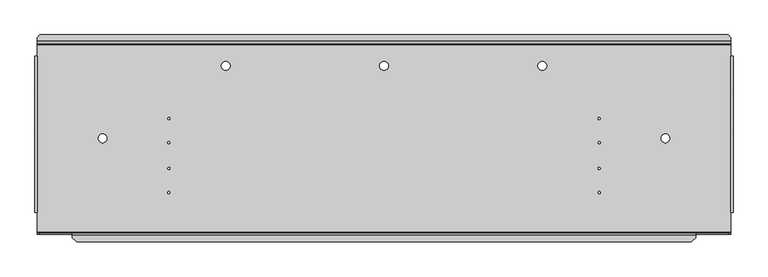
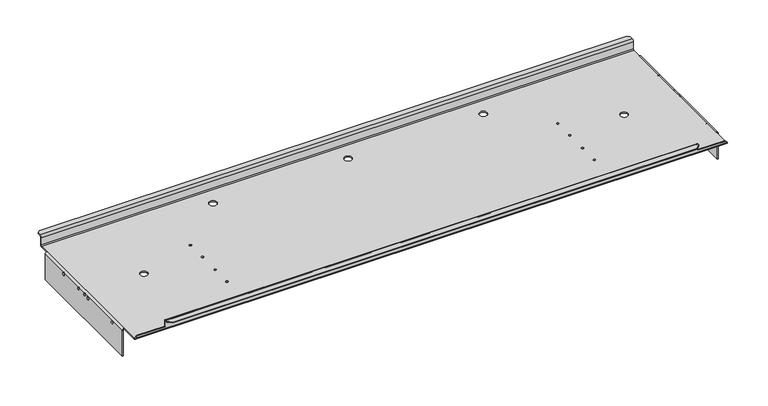
"""IFC4 building model written with IfcOpenShell, lengths in millimetres: proxy geometry."""

from ifc_helpers import new_model, si_unit, frame, origin, place, context, project, spatial, polyline, circle_curve, source, transform, mapped, element, save
from ifc_brep_helpers import plane_surface, cylinder_surface, revolved_surface, advanced_brep


def generic_models_facf41e4(model_context):
    return source(origin(), model_context, "Body", "AdvancedBrep", [
        advanced_brep(
        [(-999.8773452, -94.3278036, -7.2517), (-998.2644452, -94.3278036, -7.2517), (-998.2644452, -94.3278036, -2.9083), (-999.8773452, -94.3278036, -2.9083), (6.7983148, -94.3278036, -7.2517), (8.4112148, -94.3278036, -7.2517), (8.4112148, -94.3278036, -2.9083), (6.7983148, -94.3278036, -2.9083), (-999.8773452, -23.2078036, -7.2517), (-998.2644452, -23.2078036, -7.2517), (-998.2644452, -23.2078036, -2.9083), (-999.8773452, -23.2078036, -2.9083), (6.7983148, -23.2078036, -7.2517), (8.4112148, -23.2078036, -7.2517), (8.4112148, -23.2078036, -2.9083), (6.7983148, -23.2078036, -2.9083), (-999.8773452, -165.4478036, -7.2517), (-998.2644452, -165.4478036, -7.2517), (-998.2644452, -165.4478036, -2.9083), (-999.8773452, -165.4478036, -2.9083), (6.7983148, -165.4478036, -7.2517), (8.4112148, -165.4478036, -7.2517), (8.4112148, -165.4478036, -2.9083), (6.7983148, -165.4478036, -2.9083), (-804.8332852, -60.4346786, 0.0), (-804.8332852, -60.4346786, 1.6129), (-808.0844852, -60.4346786, 1.6129), (-808.0844852, -60.4346786, 0.0), (-804.8332852, -132.6659286, 0.0), (-804.8332852, -132.6659286, 1.6129), (-808.0844852, -132.6659286, 1.6129), (-808.0844852, -132.6659286, 0.0), (-183.3714852, -167.5909286, 0.0), (-183.3714852, -167.5909286, 1.6129), (-186.6226852, -167.5909286, 1.6129), (-186.6226852, -167.5909286, 0.0), (-183.3714852, -95.3596786, 0.0), (-183.3714852, -95.3596786, 1.6129), (-186.6226852, -95.3596786, 1.6129), (-186.6226852, -95.3596786, 0.0), (-183.3714852, -60.4346786, 0.0), (-183.3714852, -60.4346786, 1.6129), (-186.6226852, -60.4346786, 1.6129), (-186.6226852, -60.4346786, 0.0), (-183.3714852, -132.6659286, 0.0), (-183.3714852, -132.6659286, 1.6129), (-186.6226852, -132.6659286, 1.6129), (-186.6226852, -132.6659286, 0.0), (-804.8332852, -167.5909286, 0.0), (-804.8332852, -167.5909286, 1.6129), (-808.0844852, -167.5909286, 1.6129), (-808.0844852, -167.5909286, 0.0), (-804.8332852, -95.3596786, 0.0), (-804.8332852, -95.3596786, 1.6129), (-808.0844852, -95.3596786, 1.6129), (-808.0844852, -95.3596786, 0.0), (-489.3830652, 15.8192964, 0.0), (-489.3830652, 15.8192964, 1.6129), (-502.0830652, 15.8192964, 1.6129), (-502.0830652, 15.8192964, 0.0), (-717.9830652, 15.8192964, 0.0), (-717.9830652, 15.8192964, 1.6129), (-730.6830652, 15.8192964, 1.6129), (-730.6830652, 15.8192964, 0.0), (-895.7830652, -89.2478036, 0.0), (-895.7830652, -89.2478036, 1.6129), (-908.4830652, -89.2478036, 1.6129), (-908.4830652, -89.2478036, 0.0), (-82.9830652, -89.2478036, 0.0), (-82.9830652, -89.2478036, 1.6129), (-95.6830652, -89.2478036, 1.6129), (-95.6830652, -89.2478036, 0.0), (-260.7830652, 15.8192964, 0.0), (-260.7830652, 15.8192964, 1.6129), (-273.4830652, 15.8192964, 1.6129), (-273.4830652, 15.8192964, 0.0), (-999.8773452, -66.9516836, -6.32968), (-998.2644452, -66.9516836, -6.32968), (-998.2644452, -66.9516836, -3.07848), (-999.8773452, -66.9516836, -3.07848), (6.7983148, -66.9516836, -6.32968), (8.4112148, -66.9516836, -6.32968), (8.4112148, -66.9516836, -3.07848), (6.7983148, -66.9516836, -3.07848), (-999.8773452, -84.7316836, -6.32968), (-998.2644452, -84.7316836, -6.32968), (-998.2644452, -84.7316836, -3.07848), (-999.8773452, -84.7316836, -3.07848), (6.7983148, -84.7316836, -6.32968), (8.4112148, -84.7316836, -6.32968), (8.4112148, -84.7316836, -3.07848), (6.7983148, -84.7316836, -3.07848), (-993.4765452, -226.4078036, 6.4008), (-996.6515452, -226.4078036, 3.2258), (-996.6515452, -228.0207036, 3.2258), (-993.4765452, -228.0207036, 6.4008), (-945.8515452, -228.0207036, 6.4008), (-945.8515452, -226.4078036, 6.4008), (5.1854148, -228.0207036, 3.2258), (2.0104148, -228.0207036, 6.4008), (-45.6145852, -228.0207036, 6.4008), (-45.6145852, -228.0207036, 15.8242), (-945.8515452, -228.0207036, 15.8242), (5.1854148, -226.4078036, 3.2258), (2.0104148, -226.4078036, 6.4008), (-45.6145852, -226.4078036, 6.4008), (-945.8515452, -232.7578036, 17.4371), (-939.5015452, -239.1078036, 17.4371), (-939.5015452, -239.1078036, 19.05), (-945.8515452, -232.7578036, 19.05), (-945.8515452, -229.6336036, 19.05), (-945.8515452, -226.4078036, 15.8242), (-945.8515452, -229.6336036, 17.4371), (-51.9645852, -239.1078036, 19.05), (-45.6145852, -232.7578036, 19.05), (-45.6145852, -229.6336036, 19.05), (-51.9645852, -239.1078036, 17.4371), (-45.6145852, -232.7578036, 17.4371), (-45.6145852, -229.6336036, 17.4371), (-45.6145852, -226.4078036, 15.8242), (-998.2644452, 30.1321964, -1.6129), (-999.8773452, 30.1321964, -1.6129), (-996.6515452, 30.1321964, 1.6129), (-996.6515452, 30.1321964, 0.0), (8.4112148, 30.1321964, -1.6129), (6.7983148, 30.1321964, -1.6129), (5.1854148, 30.1321964, 0.0), (5.1854148, 30.1321964, 1.6129), (1.3754148, 60.6121964, 19.05), (5.1854148, 56.8021964, 19.05), (5.1854148, 56.8021964, 17.4371), (1.3754148, 60.6121964, 17.4371), (-992.8415452, 60.6121964, 17.4371), (-992.8415452, 60.6121964, 19.05), (5.1854148, 51.1379964, 17.4371), (-996.6515452, 51.1379964, 17.4371), (-996.6515452, 56.8021964, 17.4371), (-996.6515452, 56.8021964, 19.05), (-996.6515452, 51.1379964, 19.05), (5.1854148, 51.1379964, 19.05), (-996.6515452, 47.9121964, 15.8242), (5.1854148, 47.9121964, 15.8242), (-996.6515452, 49.5250964, 15.8242), (5.1854148, 49.5250964, 15.8242), (5.1854148, 47.9121964, 3.2258), (5.1854148, 49.5250964, 3.2258), (-996.6515452, 47.9121964, 3.2258), (-996.6515452, 49.5250964, 3.2258), (5.1854148, 46.2992964, 0.0), (-996.6515452, 46.2992964, 0.0), (5.1854148, 46.2992964, 1.6129), (-996.6515452, 46.2992964, 1.6129), (5.1854148, -195.9278036, 0.0), (5.1854148, -224.7949036, 0.0), (-996.6515452, -224.7949036, 0.0), (-996.6515452, -195.9278036, 0.0), (-996.6515452, -224.7949036, 1.6129), (5.1854148, -224.7949036, 1.6129), (5.1854148, -195.9278036, 1.6129), (-996.6515452, -195.9278036, 1.6129), (-998.2644452, -195.9278036, -1.6129), (-999.8773452, -195.9278036, -1.6129), (-999.8773452, -195.9278036, -47.3202), (-998.2644452, -195.9278036, -47.3202), (-999.8773452, 30.1321964, -47.3202), (-998.2644452, 30.1321964, -47.3202), (6.7983148, -195.9278036, -1.6129), (8.4112148, -195.9278036, -1.6129), (8.4112148, -195.9278036, -47.3202), (8.4112148, 30.1321964, -47.3202), (6.7983148, 30.1321964, -47.3202), (6.7983148, -195.9278036, -47.3202)],
        [
            (0, 1),
            (1, 2, circle_curve(frame((-998.2644452, -94.3278036, -5.08), z_axis=(1.0, 0.0, 0.0), x_axis=(0.0, 0.0, -1.0)), 2.1717)),
            (2, 3),
            (3, 0, circle_curve(frame((-999.8773452, -94.3278036, -5.08), z_axis=(-1.0, 0.0, 0.0), x_axis=(0.0, 0.0, -1.0)), 2.1717)),
            (4, 5),
            (5, 6, circle_curve(frame((8.4112148, -94.3278036, -5.08), z_axis=(1.0, 0.0, 0.0), x_axis=(0.0, 0.0, -1.0)), 2.1717)),
            (6, 7),
            (7, 4, circle_curve(frame((6.7983148, -94.3278036, -5.08), z_axis=(-1.0, 0.0, 0.0), x_axis=(0.0, 0.0, -1.0)), 2.1717)),
            (8, 9),
            (9, 10, circle_curve(frame((-998.2644452, -23.2078036, -5.08), z_axis=(1.0, 0.0, 0.0), x_axis=(0.0, 0.0, -1.0)), 2.1717)),
            (10, 11),
            (11, 8, circle_curve(frame((-999.8773452, -23.2078036, -5.08), z_axis=(-1.0, 0.0, 0.0), x_axis=(0.0, 0.0, -1.0)), 2.1717)),
            (12, 13),
            (13, 14, circle_curve(frame((8.4112148, -23.2078036, -5.08), z_axis=(1.0, 0.0, 0.0), x_axis=(0.0, 0.0, -1.0)), 2.1717)),
            (14, 15),
            (15, 12, circle_curve(frame((6.7983148, -23.2078036, -5.08), z_axis=(-1.0, 0.0, 0.0), x_axis=(0.0, 0.0, -1.0)), 2.1717)),
            (16, 17),
            (17, 18, circle_curve(frame((-998.2644452, -165.4478036, -5.08), z_axis=(1.0, 0.0, 0.0), x_axis=(0.0, 0.0, -1.0)), 2.1717)),
            (18, 19),
            (19, 16, circle_curve(frame((-999.8773452, -165.4478036, -5.08), z_axis=(-1.0, 0.0, 0.0), x_axis=(0.0, 0.0, -1.0)), 2.1717)),
            (20, 21),
            (21, 22, circle_curve(frame((8.4112148, -165.4478036, -5.08), z_axis=(1.0, 0.0, 0.0), x_axis=(0.0, 0.0, -1.0)), 2.1717)),
            (22, 23),
            (23, 20, circle_curve(frame((6.7983148, -165.4478036, -5.08), z_axis=(-1.0, 0.0, 0.0), x_axis=(0.0, 0.0, -1.0)), 2.1717)),
            (24, 25),
            (25, 26, circle_curve(frame((-806.4588852, -60.4346786, 1.6129), z_axis=(0.0, 0.0, 1.0), x_axis=(1.0, 0.0, 0.0)), 1.6256)),
            (26, 27),
            (27, 24, circle_curve(frame((-806.4588852, -60.4346786, 0.0), z_axis=(0.0, 0.0, -1.0), x_axis=(1.0, 0.0, 0.0)), 1.6256)),
            (28, 29),
            (29, 30, circle_curve(frame((-806.4588852, -132.6659286, 1.6129), z_axis=(0.0, 0.0, 1.0), x_axis=(1.0, 0.0, 0.0)), 1.6256)),
            (30, 31),
            (31, 28, circle_curve(frame((-806.4588852, -132.6659286, 0.0), z_axis=(0.0, 0.0, -1.0), x_axis=(1.0, 0.0, 0.0)), 1.6256)),
            (32, 33),
            (33, 34, circle_curve(frame((-184.9970852, -167.5909286, 1.6129), z_axis=(0.0, 0.0, 1.0), x_axis=(1.0, 0.0, 0.0)), 1.6256)),
            (34, 35),
            (35, 32, circle_curve(frame((-184.9970852, -167.5909286, 0.0), z_axis=(0.0, 0.0, -1.0), x_axis=(1.0, 0.0, 0.0)), 1.6256)),
            (36, 37),
            (37, 38, circle_curve(frame((-184.9970852, -95.3596786, 1.6129), z_axis=(0.0, 0.0, 1.0), x_axis=(1.0, 0.0, 0.0)), 1.6256)),
            (38, 39),
            (39, 36, circle_curve(frame((-184.9970852, -95.3596786, 0.0), z_axis=(0.0, 0.0, -1.0), x_axis=(1.0, 0.0, 0.0)), 1.6256)),
            (40, 41),
            (41, 42, circle_curve(frame((-184.9970852, -60.4346786, 1.6129), z_axis=(0.0, 0.0, 1.0), x_axis=(1.0, 0.0, 0.0)), 1.6256)),
            (42, 43),
            (43, 40, circle_curve(frame((-184.9970852, -60.4346786, 0.0), z_axis=(0.0, 0.0, -1.0), x_axis=(1.0, 0.0, 0.0)), 1.6256)),
            (44, 45),
            (45, 46, circle_curve(frame((-184.9970852, -132.6659286, 1.6129), z_axis=(0.0, 0.0, 1.0), x_axis=(1.0, 0.0, 0.0)), 1.6256)),
            (46, 47),
            (47, 44, circle_curve(frame((-184.9970852, -132.6659286, 0.0), z_axis=(0.0, 0.0, -1.0), x_axis=(1.0, 0.0, 0.0)), 1.6256)),
            (48, 49),
            (49, 50, circle_curve(frame((-806.4588852, -167.5909286, 1.6129), z_axis=(0.0, 0.0, 1.0), x_axis=(1.0, 0.0, 0.0)), 1.6256)),
            (50, 51),
            (51, 48, circle_curve(frame((-806.4588852, -167.5909286, 0.0), z_axis=(0.0, 0.0, -1.0), x_axis=(1.0, 0.0, 0.0)), 1.6256)),
            (52, 53),
            (53, 54, circle_curve(frame((-806.4588852, -95.3596786, 1.6129), z_axis=(0.0, 0.0, 1.0), x_axis=(1.0, 0.0, 0.0)), 1.6256)),
            (54, 55),
            (55, 52, circle_curve(frame((-806.4588852, -95.3596786, 0.0), z_axis=(0.0, 0.0, -1.0), x_axis=(1.0, 0.0, 0.0)), 1.6256)),
            (56, 57),
            (57, 58, circle_curve(frame((-495.7330652, 15.8192964, 1.6129), z_axis=(0.0, 0.0, 1.0), x_axis=(1.0, 0.0, 0.0)), 6.35)),
            (58, 59),
            (59, 56, circle_curve(frame((-495.7330652, 15.8192964, 0.0), z_axis=(0.0, 0.0, -1.0), x_axis=(1.0, 0.0, 0.0)), 6.35)),
            (60, 61),
            (61, 62, circle_curve(frame((-724.3330652, 15.8192964, 1.6129), z_axis=(0.0, 0.0, 1.0), x_axis=(1.0, 0.0, 0.0)), 6.35)),
            (62, 63),
            (63, 60, circle_curve(frame((-724.3330652, 15.8192964, 0.0), z_axis=(0.0, 0.0, -1.0), x_axis=(1.0, 0.0, 0.0)), 6.35)),
            (64, 65),
            (65, 66, circle_curve(frame((-902.1330652, -89.2478036, 1.6129), z_axis=(0.0, 0.0, 1.0), x_axis=(1.0, 0.0, 0.0)), 6.35)),
            (66, 67),
            (67, 64, circle_curve(frame((-902.1330652, -89.2478036, 0.0), z_axis=(0.0, 0.0, -1.0), x_axis=(1.0, 0.0, 0.0)), 6.35)),
            (68, 69),
            (69, 70, circle_curve(frame((-89.3330652, -89.2478036, 1.6129), z_axis=(0.0, 0.0, 1.0), x_axis=(1.0, 0.0, 0.0)), 6.35)),
            (70, 71),
            (71, 68, circle_curve(frame((-89.3330652, -89.2478036, 0.0), z_axis=(0.0, 0.0, -1.0), x_axis=(1.0, 0.0, 0.0)), 6.35)),
            (72, 73),
            (73, 74, circle_curve(frame((-267.1330652, 15.8192964, 1.6129), z_axis=(0.0, 0.0, 1.0), x_axis=(1.0, 0.0, 0.0)), 6.35)),
            (74, 75),
            (75, 72, circle_curve(frame((-267.1330652, 15.8192964, 0.0), z_axis=(0.0, 0.0, -1.0), x_axis=(1.0, 0.0, 0.0)), 6.35)),
            (76, 77),
            (77, 78, circle_curve(frame((-998.2644452, -66.9516836, -4.70408), z_axis=(1.0, 0.0, 0.0), x_axis=(0.0, 0.0, -1.0)), 1.6256)),
            (78, 79),
            (79, 76, circle_curve(frame((-999.8773452, -66.9516836, -4.70408), z_axis=(-1.0, 0.0, 0.0), x_axis=(0.0, 0.0, -1.0)), 1.6256)),
            (80, 81),
            (81, 82, circle_curve(frame((8.4112148, -66.9516836, -4.70408), z_axis=(1.0, 0.0, 0.0), x_axis=(0.0, 0.0, -1.0)), 1.6256)),
            (82, 83),
            (83, 80, circle_curve(frame((6.7983148, -66.9516836, -4.70408), z_axis=(-1.0, 0.0, 0.0), x_axis=(0.0, 0.0, -1.0)), 1.6256)),
            (84, 85),
            (85, 86, circle_curve(frame((-998.2644452, -84.7316836, -4.70408), z_axis=(1.0, 0.0, 0.0), x_axis=(0.0, 0.0, -1.0)), 1.6256)),
            (86, 87),
            (87, 84, circle_curve(frame((-999.8773452, -84.7316836, -4.70408), z_axis=(-1.0, 0.0, 0.0), x_axis=(0.0, 0.0, -1.0)), 1.6256)),
            (88, 89),
            (89, 90, circle_curve(frame((8.4112148, -84.7316836, -4.70408), z_axis=(1.0, 0.0, 0.0), x_axis=(0.0, 0.0, -1.0)), 1.6256)),
            (90, 91),
            (91, 88, circle_curve(frame((6.7983148, -84.7316836, -4.70408), z_axis=(-1.0, 0.0, 0.0), x_axis=(0.0, 0.0, -1.0)), 1.6256)),
            (92, 93),
            (93, 94),
            (94, 95),
            (95, 92),
            (95, 96),
            (96, 97),
            (97, 92),
            (94, 98),
            (98, 99),
            (99, 100),
            (100, 101),
            (101, 102),
            (102, 96),
            (98, 103),
            (103, 104),
            (104, 99),
            (104, 105),
            (105, 100),
            (106, 107),
            (107, 108),
            (108, 109),
            (109, 106),
            (109, 110),
            (110, 111, circle_curve(frame((-945.8515452, -229.6336036, 15.8242), z_axis=(-1.0, 0.0, 0.0), x_axis=(0.0, 1.0, 0.0)), 3.2258)),
            (111, 97),
            (102, 112, circle_curve(frame((-945.8515452, -229.6336036, 15.8242), z_axis=(1.0, 0.0, 0.0), x_axis=(0.0, 1.0, 0.0)), 1.6129)),
            (112, 106),
            (108, 113),
            (113, 114),
            (114, 115),
            (115, 110),
            (113, 116),
            (116, 117),
            (117, 114),
            (117, 118),
            (118, 101, circle_curve(frame((-45.6145852, -229.6336036, 15.8242), z_axis=(-1.0, 0.0, 0.0), x_axis=(0.0, 1.0, 0.0)), 1.6129)),
            (105, 119),
            (119, 115, circle_curve(frame((-45.6145852, -229.6336036, 15.8242), z_axis=(1.0, 0.0, 0.0), x_axis=(0.0, 1.0, 0.0)), 3.2258)),
            (112, 118),
            (116, 107),
            (119, 111),
            (103, 93),
            (88, 91, circle_curve(frame((6.7983148, -84.7316836, -4.70408), z_axis=(-1.0, 0.0, 0.0), x_axis=(0.0, 0.0, -1.0)), 1.6256)),
            (90, 89, circle_curve(frame((8.4112148, -84.7316836, -4.70408), z_axis=(1.0, 0.0, 0.0), x_axis=(0.0, 0.0, -1.0)), 1.6256)),
            (84, 87, circle_curve(frame((-999.8773452, -84.7316836, -4.70408), z_axis=(-1.0, 0.0, 0.0), x_axis=(0.0, 0.0, -1.0)), 1.6256)),
            (86, 85, circle_curve(frame((-998.2644452, -84.7316836, -4.70408), z_axis=(1.0, 0.0, 0.0), x_axis=(0.0, 0.0, -1.0)), 1.6256)),
            (80, 83, circle_curve(frame((6.7983148, -66.9516836, -4.70408), z_axis=(-1.0, 0.0, 0.0), x_axis=(0.0, 0.0, -1.0)), 1.6256)),
            (82, 81, circle_curve(frame((8.4112148, -66.9516836, -4.70408), z_axis=(1.0, 0.0, 0.0), x_axis=(0.0, 0.0, -1.0)), 1.6256)),
            (76, 79, circle_curve(frame((-999.8773452, -66.9516836, -4.70408), z_axis=(-1.0, 0.0, 0.0), x_axis=(0.0, 0.0, -1.0)), 1.6256)),
            (78, 77, circle_curve(frame((-998.2644452, -66.9516836, -4.70408), z_axis=(1.0, 0.0, 0.0), x_axis=(0.0, 0.0, -1.0)), 1.6256)),
            (72, 75, circle_curve(frame((-267.1330652, 15.8192964, 0.0), z_axis=(0.0, 0.0, -1.0), x_axis=(1.0, 0.0, 0.0)), 6.35)),
            (74, 73, circle_curve(frame((-267.1330652, 15.8192964, 1.6129), z_axis=(0.0, 0.0, 1.0), x_axis=(1.0, 0.0, 0.0)), 6.35)),
            (68, 71, circle_curve(frame((-89.3330652, -89.2478036, 0.0), z_axis=(0.0, 0.0, -1.0), x_axis=(1.0, 0.0, 0.0)), 6.35)),
            (70, 69, circle_curve(frame((-89.3330652, -89.2478036, 1.6129), z_axis=(0.0, 0.0, 1.0), x_axis=(1.0, 0.0, 0.0)), 6.35)),
            (64, 67, circle_curve(frame((-902.1330652, -89.2478036, 0.0), z_axis=(0.0, 0.0, -1.0), x_axis=(1.0, 0.0, 0.0)), 6.35)),
            (66, 65, circle_curve(frame((-902.1330652, -89.2478036, 1.6129), z_axis=(0.0, 0.0, 1.0), x_axis=(1.0, 0.0, 0.0)), 6.35)),
            (60, 63, circle_curve(frame((-724.3330652, 15.8192964, 0.0), z_axis=(0.0, 0.0, -1.0), x_axis=(1.0, 0.0, 0.0)), 6.35)),
            (62, 61, circle_curve(frame((-724.3330652, 15.8192964, 1.6129), z_axis=(0.0, 0.0, 1.0), x_axis=(1.0, 0.0, 0.0)), 6.35)),
            (56, 59, circle_curve(frame((-495.7330652, 15.8192964, 0.0), z_axis=(0.0, 0.0, -1.0), x_axis=(1.0, 0.0, 0.0)), 6.35)),
            (58, 57, circle_curve(frame((-495.7330652, 15.8192964, 1.6129), z_axis=(0.0, 0.0, 1.0), x_axis=(1.0, 0.0, 0.0)), 6.35)),
            (120, 121),
            (121, 122, circle_curve(frame((-996.6515452, 30.1321964, -1.6129), z_axis=(0.0, 1.0, 0.0), x_axis=(0.0, 0.0, 1.0)), 3.2258)),
            (122, 123),
            (123, 120, circle_curve(frame((-996.6515452, 30.1321964, -1.6129), z_axis=(0.0, -1.0, 0.0), x_axis=(0.0, 0.0, 1.0)), 1.6129)),
            (124, 125),
            (125, 126, circle_curve(frame((5.1854148, 30.1321964, -1.6129), z_axis=(0.0, -1.0, 0.0), x_axis=(0.0, 0.0, 1.0)), 1.6129)),
            (126, 127),
            (127, 124, circle_curve(frame((5.1854148, 30.1321964, -1.6129), z_axis=(0.0, 1.0, 0.0), x_axis=(0.0, 0.0, 1.0)), 3.2258)),
            (128, 129),
            (129, 130),
            (130, 131),
            (131, 128),
            (131, 132),
            (132, 133),
            (133, 128),
            (130, 134),
            (134, 135),
            (135, 136),
            (136, 132),
            (137, 133),
            (136, 137),
            (135, 138),
            (138, 137),
            (139, 138),
            (138, 140, circle_curve(frame((-996.6515452, 51.1379964, 15.8242), z_axis=(1.0, 0.0, 0.0), x_axis=(0.0, -1.0, 0.0)), 3.2258)),
            (140, 141),
            (141, 139, circle_curve(frame((5.1854148, 51.1379964, 15.8242), z_axis=(-1.0, 0.0, 0.0), x_axis=(0.0, -1.0, 0.0)), 3.2258)),
            (129, 139),
            (139, 134),
            (135, 142, circle_curve(frame((-996.6515452, 51.1379964, 15.8242), z_axis=(1.0, 0.0, 0.0), x_axis=(0.0, -1.0, 0.0)), 1.6129)),
            (142, 140),
            (141, 143),
            (143, 134, circle_curve(frame((5.1854148, 51.1379964, 15.8242), z_axis=(-1.0, 0.0, 0.0), x_axis=(0.0, -1.0, 0.0)), 1.6129)),
            (143, 142),
            (141, 144),
            (144, 145),
            (145, 143),
            (140, 146),
            (146, 144),
            (147, 145),
            (145, 148, circle_curve(frame((5.1854148, 46.2992964, 3.2258), z_axis=(-1.0, 0.0, 0.0), x_axis=(0.0, 0.0, -1.0)), 3.2258)),
            (148, 149),
            (149, 147, circle_curve(frame((-996.6515452, 46.2992964, 3.2258), z_axis=(1.0, 0.0, 0.0), x_axis=(0.0, 0.0, -1.0)), 3.2258)),
            (142, 147),
            (147, 146),
            (144, 150, circle_curve(frame((5.1854148, 46.2992964, 3.2258), z_axis=(-1.0, 0.0, 0.0), x_axis=(0.0, 0.0, -1.0)), 1.6129)),
            (150, 148),
            (149, 151),
            (151, 146, circle_curve(frame((-996.6515452, 46.2992964, 3.2258), z_axis=(1.0, 0.0, 0.0), x_axis=(0.0, 0.0, -1.0)), 1.6129)),
            (151, 150),
            (149, 123),
            (122, 151),
            (148, 126),
            (126, 152),
            (152, 153),
            (153, 154),
            (154, 155),
            (155, 123),
            (27, 24, circle_curve(frame((-806.4588852, -60.4346786, 0.0), z_axis=(0.0, 0.0, 1.0), x_axis=(1.0, 0.0, 0.0)), 1.6256)),
            (31, 28, circle_curve(frame((-806.4588852, -132.6659286, 0.0), z_axis=(0.0, 0.0, 1.0), x_axis=(1.0, 0.0, 0.0)), 1.6256)),
            (35, 32, circle_curve(frame((-184.9970852, -167.5909286, 0.0), z_axis=(0.0, 0.0, 1.0), x_axis=(1.0, 0.0, 0.0)), 1.6256)),
            (39, 36, circle_curve(frame((-184.9970852, -95.3596786, 0.0), z_axis=(0.0, 0.0, 1.0), x_axis=(1.0, 0.0, 0.0)), 1.6256)),
            (43, 40, circle_curve(frame((-184.9970852, -60.4346786, 0.0), z_axis=(0.0, 0.0, 1.0), x_axis=(1.0, 0.0, 0.0)), 1.6256)),
            (47, 44, circle_curve(frame((-184.9970852, -132.6659286, 0.0), z_axis=(0.0, 0.0, 1.0), x_axis=(1.0, 0.0, 0.0)), 1.6256)),
            (51, 48, circle_curve(frame((-806.4588852, -167.5909286, 0.0), z_axis=(0.0, 0.0, 1.0), x_axis=(1.0, 0.0, 0.0)), 1.6256)),
            (55, 52, circle_curve(frame((-806.4588852, -95.3596786, 0.0), z_axis=(0.0, 0.0, 1.0), x_axis=(1.0, 0.0, 0.0)), 1.6256)),
            (150, 127),
            (54, 53, circle_curve(frame((-806.4588852, -95.3596786, 1.6129), z_axis=(0.0, 0.0, 1.0), x_axis=(1.0, 0.0, 0.0)), 1.6256)),
            (50, 49, circle_curve(frame((-806.4588852, -167.5909286, 1.6129), z_axis=(0.0, 0.0, 1.0), x_axis=(1.0, 0.0, 0.0)), 1.6256)),
            (46, 45, circle_curve(frame((-184.9970852, -132.6659286, 1.6129), z_axis=(0.0, 0.0, 1.0), x_axis=(1.0, 0.0, 0.0)), 1.6256)),
            (42, 41, circle_curve(frame((-184.9970852, -60.4346786, 1.6129), z_axis=(0.0, 0.0, 1.0), x_axis=(1.0, 0.0, 0.0)), 1.6256)),
            (38, 37, circle_curve(frame((-184.9970852, -95.3596786, 1.6129), z_axis=(0.0, 0.0, 1.0), x_axis=(1.0, 0.0, 0.0)), 1.6256)),
            (34, 33, circle_curve(frame((-184.9970852, -167.5909286, 1.6129), z_axis=(0.0, 0.0, 1.0), x_axis=(1.0, 0.0, 0.0)), 1.6256)),
            (30, 29, circle_curve(frame((-806.4588852, -132.6659286, 1.6129), z_axis=(0.0, 0.0, 1.0), x_axis=(1.0, 0.0, 0.0)), 1.6256)),
            (26, 25, circle_curve(frame((-806.4588852, -60.4346786, 1.6129), z_axis=(0.0, 0.0, 1.0), x_axis=(1.0, 0.0, 0.0)), 1.6256)),
            (94, 154, circle_curve(frame((-996.6515452, -224.7949036, 3.2258), z_axis=(1.0, 0.0, 0.0), x_axis=(0.0, 0.0, -1.0)), 3.2258)),
            (153, 98, circle_curve(frame((5.1854148, -224.7949036, 3.2258), z_axis=(-1.0, 0.0, 0.0), x_axis=(0.0, 0.0, -1.0)), 3.2258)),
            (93, 156, circle_curve(frame((-996.6515452, -224.7949036, 3.2258), z_axis=(1.0, 0.0, 0.0), x_axis=(0.0, 0.0, -1.0)), 1.6129)),
            (156, 154),
            (153, 157),
            (157, 103, circle_curve(frame((5.1854148, -224.7949036, 3.2258), z_axis=(-1.0, 0.0, 0.0), x_axis=(0.0, 0.0, -1.0)), 1.6129)),
            (157, 156),
            (152, 158),
            (158, 157),
            (156, 159),
            (159, 155),
            (20, 23, circle_curve(frame((6.7983148, -165.4478036, -5.08), z_axis=(-1.0, 0.0, 0.0), x_axis=(0.0, 0.0, -1.0)), 2.1717)),
            (22, 21, circle_curve(frame((8.4112148, -165.4478036, -5.08), z_axis=(1.0, 0.0, 0.0), x_axis=(0.0, 0.0, -1.0)), 2.1717)),
            (16, 19, circle_curve(frame((-999.8773452, -165.4478036, -5.08), z_axis=(-1.0, 0.0, 0.0), x_axis=(0.0, 0.0, -1.0)), 2.1717)),
            (18, 17, circle_curve(frame((-998.2644452, -165.4478036, -5.08), z_axis=(1.0, 0.0, 0.0), x_axis=(0.0, 0.0, -1.0)), 2.1717)),
            (12, 15, circle_curve(frame((6.7983148, -23.2078036, -5.08), z_axis=(-1.0, 0.0, 0.0), x_axis=(0.0, 0.0, -1.0)), 2.1717)),
            (14, 13, circle_curve(frame((8.4112148, -23.2078036, -5.08), z_axis=(1.0, 0.0, 0.0), x_axis=(0.0, 0.0, -1.0)), 2.1717)),
            (8, 11, circle_curve(frame((-999.8773452, -23.2078036, -5.08), z_axis=(-1.0, 0.0, 0.0), x_axis=(0.0, 0.0, -1.0)), 2.1717)),
            (10, 9, circle_curve(frame((-998.2644452, -23.2078036, -5.08), z_axis=(1.0, 0.0, 0.0), x_axis=(0.0, 0.0, -1.0)), 2.1717)),
            (4, 7, circle_curve(frame((6.7983148, -94.3278036, -5.08), z_axis=(-1.0, 0.0, 0.0), x_axis=(0.0, 0.0, -1.0)), 2.1717)),
            (6, 5, circle_curve(frame((8.4112148, -94.3278036, -5.08), z_axis=(1.0, 0.0, 0.0), x_axis=(0.0, 0.0, -1.0)), 2.1717)),
            (0, 3, circle_curve(frame((-999.8773452, -94.3278036, -5.08), z_axis=(-1.0, 0.0, 0.0), x_axis=(0.0, 0.0, -1.0)), 2.1717)),
            (2, 1, circle_curve(frame((-998.2644452, -94.3278036, -5.08), z_axis=(1.0, 0.0, 0.0), x_axis=(0.0, 0.0, -1.0)), 2.1717)),
            (160, 120),
            (155, 160, circle_curve(frame((-996.6515452, -195.9278036, -1.6129), z_axis=(0.0, -1.0, 0.0), x_axis=(0.0, 0.0, 1.0)), 1.6129)),
            (160, 161),
            (161, 162),
            (162, 163),
            (163, 160),
            (161, 121),
            (121, 164),
            (164, 162),
            (120, 165),
            (165, 164),
            (159, 161, circle_curve(frame((-996.6515452, -195.9278036, -1.6129), z_axis=(0.0, -1.0, 0.0), x_axis=(0.0, 0.0, 1.0)), 3.2258)),
            (165, 163),
            (159, 122),
            (125, 166),
            (166, 152, circle_curve(frame((5.1854148, -195.9278036, -1.6129), z_axis=(0.0, -1.0, 0.0), x_axis=(0.0, 0.0, 1.0)), 1.6129)),
            (124, 167),
            (167, 168),
            (168, 169),
            (169, 124),
            (166, 167),
            (167, 158, circle_curve(frame((5.1854148, -195.9278036, -1.6129), z_axis=(0.0, -1.0, 0.0), x_axis=(0.0, 0.0, 1.0)), 3.2258)),
            (169, 170),
            (170, 125),
            (166, 171),
            (171, 168),
            (171, 170),
            (127, 158),
        ],
        [
            revolved_surface(polyline([(-998.2644452, -94.3278036, -7.2517), (-999.8773452, -94.3278036, -7.2517)]), (-1021.237494, -94.3278036, -5.08), (1.0, 0.0, 0.0)),
            revolved_surface(polyline([(8.411214799999925, -94.3278036, -7.2517), (6.798314800000071, -94.3278036, -7.2517)]), (-1021.237494, -94.3278036, -5.08), (1.0, 0.0, 0.0)),
            revolved_surface(polyline([(-998.2644452, -23.2078036, -7.2517), (-999.8773452, -23.2078036, -7.2517)]), (-1021.237494, -23.2078036, -5.08), (1.0, 0.0, 0.0)),
            revolved_surface(polyline([(8.411214799999925, -23.2078036, -7.2517), (6.798314800000071, -23.2078036, -7.2517)]), (-1021.237494, -23.2078036, -5.08), (1.0, 0.0, 0.0)),
            revolved_surface(polyline([(-998.2644452, -165.4478036, -7.2517), (-999.8773452, -165.4478036, -7.2517)]), (-1021.237494, -165.4478036, -5.08), (1.0, 0.0, 0.0)),
            revolved_surface(polyline([(8.411214799999925, -165.4478036, -7.2517), (6.798314800000071, -165.4478036, -7.2517)]), (-1021.237494, -165.4478036, -5.08), (1.0, 0.0, 0.0)),
            revolved_surface(polyline([(-804.8332852000001, -60.4346786, 1.6129), (-804.8332852000001, -60.4346786, 0.0)]), (-806.4588852, -60.4346786, 0.80645), (0.0, 0.0, 1.0)),
            revolved_surface(polyline([(-804.8332852000001, -132.6659286, 1.6129), (-804.8332852000001, -132.6659286, 0.0)]), (-806.4588852, -132.6659286, 0.80645), (0.0, 0.0, 1.0)),
            revolved_surface(polyline([(-183.3714852, -167.5909286, 1.6129), (-183.3714852, -167.5909286, 0.0)]), (-184.9970852, -167.5909286, 0.80645), (0.0, 0.0, 1.0)),
            revolved_surface(polyline([(-183.3714852, -95.3596786, 1.6129), (-183.3714852, -95.3596786, 0.0)]), (-184.9970852, -95.3596786, 0.80645), (0.0, 0.0, 1.0)),
            revolved_surface(polyline([(-183.3714852, -60.4346786, 1.6129), (-183.3714852, -60.4346786, 0.0)]), (-184.9970852, -60.4346786, 0.80645), (0.0, 0.0, 1.0)),
            revolved_surface(polyline([(-183.3714852, -132.6659286, 1.6129), (-183.3714852, -132.6659286, 0.0)]), (-184.9970852, -132.6659286, 0.80645), (0.0, 0.0, 1.0)),
            revolved_surface(polyline([(-804.8332852000001, -167.5909286, 1.6129), (-804.8332852000001, -167.5909286, 0.0)]), (-806.4588852, -167.5909286, 0.80645), (0.0, 0.0, 1.0)),
            revolved_surface(polyline([(-804.8332852000001, -95.3596786, 1.6129), (-804.8332852000001, -95.3596786, 0.0)]), (-806.4588852, -95.3596786, 0.80645), (0.0, 0.0, 1.0)),
            revolved_surface(polyline([(-489.3830652, 15.8192964, 1.6129), (-489.3830652, 15.8192964, 0.0)]), (-495.7330652, 15.8192964, 0.80645), (0.0, 0.0, 1.0)),
            revolved_surface(polyline([(-717.9830651999999, 15.8192964, 1.6129), (-717.9830651999999, 15.8192964, 0.0)]), (-724.3330652, 15.8192964, 0.80645), (0.0, 0.0, 1.0)),
            revolved_surface(polyline([(-895.7830652, -89.2478036, 1.6129), (-895.7830652, -89.2478036, 0.0)]), (-902.1330652, -89.2478036, 0.80645), (0.0, 0.0, 1.0)),
            revolved_surface(polyline([(-82.9830652, -89.2478036, 1.6129), (-82.9830652, -89.2478036, 0.0)]), (-89.3330652, -89.2478036, 0.80645), (0.0, 0.0, 1.0)),
            revolved_surface(polyline([(-260.78306519999995, 15.8192964, 1.6129), (-260.78306519999995, 15.8192964, 0.0)]), (-267.1330652, 15.8192964, 0.80645), (0.0, 0.0, 1.0)),
            revolved_surface(polyline([(-998.2644452, -66.9516836, -6.32968), (-999.8773452, -66.9516836, -6.32968)]), (-1045.573084, -66.9516836, -4.70408), (1.0, 0.0, 0.0)),
            revolved_surface(polyline([(8.411214799999925, -66.9516836, -6.32968), (6.798314800000071, -66.9516836, -6.32968)]), (-1045.573084, -66.9516836, -4.70408), (1.0, 0.0, 0.0)),
            revolved_surface(polyline([(-998.2644452, -84.7316836, -6.32968), (-999.8773452, -84.7316836, -6.32968)]), (-1045.573084, -84.7316836, -4.70408), (1.0, 0.0, 0.0)),
            revolved_surface(polyline([(8.411214799999925, -84.7316836, -6.32968), (6.798314800000071, -84.7316836, -6.32968)]), (-1045.573084, -84.7316836, -4.70408), (1.0, 0.0, 0.0)),
            plane_surface(frame((-995.0640452, -226.4078036, 4.8133), z_axis=(-0.7071067811865526, 0.0, 0.7071067811865425), x_axis=(0.7071067811865425, 0.0, 0.7071067811865526))),
            plane_surface(frame((-996.6515452, -226.4078036, 6.4008), z_axis=(0.0, 0.0, 1.0), x_axis=(1.0, 0.0, 0.0))),
            plane_surface(frame((-495.7330652, -228.0207036, 9.3137531), z_axis=(0.0, -1.0, 0.0), x_axis=(1.0, 0.0, 0.0))),
            plane_surface(frame((3.5979148, -226.4078036, 4.8133), z_axis=(0.7071067811865474, 0.0, 0.7071067811865477), x_axis=(0.7071067811865477, 0.0, -0.7071067811865474))),
            plane_surface(frame((-45.6145852, -226.4078036, 6.4008), z_axis=(0.0, 0.0, 1.0), x_axis=(1.0, 0.0, 0.0))),
            plane_surface(frame((-942.6765452, -235.9328036, 11.91895), z_axis=(-0.7071067811865476, -0.7071067811865476, 0.0), x_axis=(0.0, 0.0, 1.0))),
            plane_surface(frame((-945.8515452, -226.4078036, 6.4008), z_axis=(-1.0, 0.0, 0.0), x_axis=(0.0, 0.0, 1.0))),
            plane_surface(frame((-495.7330652, -232.5465567, 19.05), z_axis=(0.0, 0.0, 1.0), x_axis=(0.0, -1.0, 0.0))),
            plane_surface(frame((-48.7895852, -235.9328036, 27.8975397), z_axis=(0.7071067811865486, -0.7071067811865466, 0.0), x_axis=(0.0, 0.0, -1.0))),
            plane_surface(frame((-45.6145852, -226.4078036, 38.3579794), z_axis=(1.0, 0.0, 0.0), x_axis=(0.0, 0.0, -1.0))),
            plane_surface(frame((-495.7330652, -232.5465567, 17.4371), z_axis=(0.0, 0.0, -1.0), x_axis=(0.0, -1.0, 0.0))),
            plane_surface(frame((5.1854148, -239.1078036, 17.4371), z_axis=(0.0, -1.0, 0.0), x_axis=(1.0, 0.0, 0.0))),
            cylinder_surface(frame((-495.7330652, -229.6336036, 15.8242), z_axis=(1.0, 0.0, 0.0), x_axis=(0.0, 1.0, 0.0)), 3.2258),
            plane_surface(frame((-495.7330652, -226.4078036, 9.3137531), z_axis=(0.0, 1.0, 0.0), x_axis=(1.0, 0.0, 0.0))),
            plane_surface(frame((-999.8773452, 30.1321964, -1.6129), z_axis=(0.0, 1.0, 0.0), x_axis=(0.0, 0.0, 1.0))),
            plane_surface(frame((6.7983148, 30.1321964, -1.6129), z_axis=(0.0, 1.0, 0.0), x_axis=(0.0, 0.0, 1.0))),
            plane_surface(frame((3.2804148, 58.7071964, 17.4371), z_axis=(0.7071067811865471, 0.707106781186548, 0.0), x_axis=(0.0, 0.0, -1.0))),
            plane_surface(frame((-996.6515452, 60.6121964, 17.4371), z_axis=(0.0, 1.0, 0.0), x_axis=(1.0, 0.0, 0.0))),
            plane_surface(frame((-495.7330652, 54.0509495, 17.4371), z_axis=(0.0, 0.0, -1.0), x_axis=(0.0, 1.0, 0.0))),
            plane_surface(frame((-994.7465452, 58.7071964, 17.4371), z_axis=(-0.7071067811865491, 0.7071067811865459, 0.0), x_axis=(0.0, 0.0, 1.0))),
            plane_surface(frame((-996.6515452, 51.1379964, 17.4371), z_axis=(-1.0, 0.0, 0.0), x_axis=(0.0, 1.0, 0.0))),
            cylinder_surface(frame((-495.7330652, 51.1379964, 15.8242), z_axis=(-1.0, 0.0, 0.0), x_axis=(0.0, -1.0, 0.0)), 3.2258),
            plane_surface(frame((5.1854148, 51.1379964, 17.4371), z_axis=(1.0, 0.0, 0.0), x_axis=(0.0, -1.0, 0.0))),
            plane_surface(frame((-996.6515452, 51.1379964, 17.4371), z_axis=(-1.0, 0.0, 0.0), x_axis=(0.0, 0.0, 1.0))),
            plane_surface(frame((5.1854148, 51.1379964, 19.05), z_axis=(1.0, 0.0, 0.0), x_axis=(0.0, 0.0, -1.0))),
            plane_surface(frame((-495.7330652, 54.0509495, 19.05), z_axis=(0.0, 0.0, 1.0), x_axis=(0.0, 1.0, 0.0))),
            revolved_surface(polyline([(-996.6515452, 49.525096399999995, 15.8242), (5.1854147999999896, 49.525096399999995, 15.8242)]), (-495.7330652, 51.1379964, 15.8242), (-1.0, 0.0, 0.0)),
            plane_surface(frame((5.1854148, 47.9121964, 3.2258), z_axis=(1.0, 0.0, 0.0), x_axis=(0.0, 1.0, 0.0))),
            plane_surface(frame((-495.7330652, 47.9121964, 9.3137531), z_axis=(0.0, -1.0, 0.0), x_axis=(1.0, 0.0, 0.0))),
            cylinder_surface(frame((-495.7330652, 46.2992964, 3.2258), z_axis=(1.0, 0.0, 0.0), x_axis=(0.0, 0.0, -1.0)), 3.2258),
            plane_surface(frame((-996.6515452, 47.9121964, 3.2258), z_axis=(-1.0, 0.0, 0.0), x_axis=(0.0, -1.0, 0.0))),
            plane_surface(frame((5.1854148, 47.9121964, 3.2258), z_axis=(1.0, 0.0, 0.0), x_axis=(0.0, 0.0, -1.0))),
            plane_surface(frame((-996.6515452, 49.5250964, 3.2258), z_axis=(-1.0, 0.0, 0.0), x_axis=(0.0, 0.0, 1.0))),
            plane_surface(frame((-495.7330652, 49.5250964, 9.3137531), z_axis=(0.0, 1.0, 0.0), x_axis=(1.0, 0.0, 0.0))),
            revolved_surface(polyline([(5.1854147999999896, 46.2992964, 1.6129), (-996.6515452, 46.2992964, 1.6129)]), (-495.7330652, 46.2992964, 3.2258), (1.0, 0.0, 0.0)),
            plane_surface(frame((-996.6515452, 47.9121964, 1.6129), z_axis=(-1.0, 0.0, 0.0), x_axis=(0.0, 0.0, 1.0))),
            plane_surface(frame((-495.7330652, -94.3278036, 0.0), z_axis=(0.0, 0.0, -1.0), x_axis=(1.0, 0.0, 0.0))),
            plane_surface(frame((5.1854148, 7.2721964, 1.6129), z_axis=(1.0, 0.0, 0.0), x_axis=(0.0, 0.0, -1.0))),
            revolved_surface(polyline([(-45.61458520000002, -228.0207036, 15.8242), (-945.8515452, -228.0207036, 15.8242)]), (-495.7330652, -229.6336036, 15.8242), (1.0, 0.0, 0.0)),
            cylinder_surface(frame((-495.7330652, -224.7949036, 3.2258), z_axis=(-1.0, 0.0, 0.0), x_axis=(0.0, 0.0, -1.0)), 3.2258),
            plane_surface(frame((-996.6515452, -226.4078036, 3.2258), z_axis=(-1.0, 0.0, 0.0), x_axis=(0.0, 0.0, 1.0))),
            plane_surface(frame((5.1854148, -228.0207036, 3.2258), z_axis=(1.0, 0.0, 0.0), x_axis=(0.0, 0.0, -1.0))),
            revolved_surface(polyline([(-996.6515452, -224.7949036, 1.6129), (5.1854147999999896, -224.7949036, 1.6129)]), (-495.7330652, -224.7949036, 3.2258), (-1.0, 0.0, 0.0)),
            plane_surface(frame((5.1854148, -226.4078036, 1.6129), z_axis=(1.0, 0.0, 0.0), x_axis=(0.0, 0.0, -1.0))),
            plane_surface(frame((-996.6515452, -195.9278036, 1.6129), z_axis=(-1.0, 0.0, 0.0), x_axis=(0.0, 0.0, 1.0))),
            revolved_surface(polyline([(-996.6515452, -195.9278036, 0.0), (-996.6515452, 30.132196399999998, 0.0)]), (-996.6515452, -94.3278036, -1.6129), (0.0, -1.0, 0.0)),
            plane_surface(frame((-999.8773452, -195.9278036, -1.6129), z_axis=(0.0, -1.0, 0.0), x_axis=(1.0, 0.0, 0.0))),
            plane_surface(frame((-999.8773452, -94.3278036, -21.8423031), z_axis=(-1.0, 0.0, 0.0), x_axis=(0.0, 0.0, 1.0))),
            plane_surface(frame((-998.2644452, -195.9278036, -1.6129), z_axis=(0.0, -1.0, 0.0), x_axis=(0.0, 0.0, -1.0))),
            plane_surface(frame((-999.8773452, 7.2721964, -47.3202), z_axis=(0.0, 0.0, -1.0), x_axis=(-1.0, 0.0, 0.0))),
            plane_surface(frame((-998.2644452, -94.3278036, -21.8423031), z_axis=(1.0, 0.0, 0.0), x_axis=(0.0, 0.0, 1.0))),
            cylinder_surface(frame((-996.6515452, -94.3278036, -1.6129), z_axis=(0.0, -1.0, 0.0), x_axis=(0.0, 0.0, 1.0)), 3.2258),
            revolved_surface(polyline([(5.1854148, 30.132196399999998, 0.0), (5.1854148, -195.9278036, 0.0)]), (5.1854148, -94.3278036, -1.6129), (0.0, 1.0, 0.0)),
            plane_surface(frame((8.4112148, -94.3278036, -21.8423031), z_axis=(1.0, 0.0, 0.0), x_axis=(0.0, 0.0, -1.0))),
            plane_surface(frame((8.4112148, -195.9278036, -1.6129), z_axis=(0.0, -1.0, 0.0), x_axis=(0.0, 0.0, -1.0))),
            plane_surface(frame((8.4112148, -195.9278036, -1.6129), z_axis=(0.0, -1.0, 0.0), x_axis=(-1.0, 0.0, 0.0))),
            plane_surface(frame((8.4112148, -195.9278036, -47.3202), z_axis=(0.0, 0.0, -1.0), x_axis=(-1.0, 0.0, 0.0))),
            plane_surface(frame((6.7983148, -94.3278036, -21.8423031), z_axis=(-1.0, 0.0, 0.0), x_axis=(0.0, 0.0, -1.0))),
            cylinder_surface(frame((5.1854148, -94.3278036, -1.6129), z_axis=(0.0, 1.0, 0.0), x_axis=(0.0, 0.0, 1.0)), 3.2258),
            plane_surface(frame((-495.7330652, -94.3278036, 1.6129), z_axis=(0.0, 0.0, 1.0), x_axis=(1.0, 0.0, 0.0))),
        ],
        [
            (0, [[1, 2, 3, 4]]),
            (1, [[5, 6, 7, 8]]),
            (2, [[9, 10, 11, 12]]),
            (3, [[13, 14, 15, 16]]),
            (4, [[17, 18, 19, 20]]),
            (5, [[21, 22, 23, 24]]),
            (6, [[25, 26, 27, 28]]),
            (7, [[29, 30, 31, 32]]),
            (8, [[33, 34, 35, 36]]),
            (9, [[37, 38, 39, 40]]),
            (10, [[41, 42, 43, 44]]),
            (11, [[45, 46, 47, 48]]),
            (12, [[49, 50, 51, 52]]),
            (13, [[53, 54, 55, 56]]),
            (14, [[57, 58, 59, 60]]),
            (15, [[61, 62, 63, 64]]),
            (16, [[65, 66, 67, 68]]),
            (17, [[69, 70, 71, 72]]),
            (18, [[73, 74, 75, 76]]),
            (19, [[77, 78, 79, 80]]),
            (20, [[81, 82, 83, 84]]),
            (21, [[85, 86, 87, 88]]),
            (22, [[89, 90, 91, 92]]),
            (23, [[93, 94, 95, 96]]),
            (24, [[-96, 97, 98, 99]]),
            (25, [[-95, 100, 101, 102, 103, 104, 105, -97]]),
            (26, [[-101, 106, 107, 108]]),
            (27, [[-108, 109, 110, -102]]),
            (28, [[111, 112, 113, 114]]),
            (29, [[-114, 115, 116, 117, -98, -105, 118, 119]]),
            (30, [[-113, 120, 121, 122, 123, -115]]),
            (31, [[-121, 124, 125, 126]]),
            (32, [[-126, 127, 128, -103, -110, 129, 130, -122]]),
            (33, [[-111, -119, 131, -127, -125, 132]]),
            (34, [[-112, -132, -124, -120]]),
            (35, [[-130, 133, -116, -123]]),
            (36, [[-93, -99, -117, -133, -129, -109, -107, 134]]),
            (22, [[-89, 135, -91, 136]]),
            (21, [[-85, 137, -87, 138]]),
            (20, [[-81, 139, -83, 140]]),
            (19, [[-77, 141, -79, 142]]),
            (18, [[-73, 143, -75, 144]]),
            (17, [[-69, 145, -71, 146]]),
            (16, [[-65, 147, -67, 148]]),
            (15, [[-61, 149, -63, 150]]),
            (14, [[-57, 151, -59, 152]]),
            (37, [[153, 154, 155, 156]]),
            (38, [[157, 158, 159, 160]]),
            (39, [[161, 162, 163, 164]]),
            (40, [[-164, 165, 166, 167]]),
            (41, [[-163, 168, 169, 170, 171, -165]]),
            (42, [[172, -166, -171, 173]]),
            (43, [[-173, -170, 174, 175]]),
            (44, [[176, 177, 178, 179]]),
            (45, [[-162, 180, 181, -168]]),
            (46, [[-174, 182, 183, -177]]),
            (47, [[-181, -179, 184, 185]]),
            (48, [[-161, -167, -172, -175, -176, -180]]),
            (49, [[-169, -185, 186, -182]]),
            (50, [[-184, 187, 188, 189]]),
            (51, [[-178, 190, 191, -187]]),
            (52, [[192, 193, 194, 195]]),
            (53, [[-183, 196, 197, -190]]),
            (54, [[-188, 198, 199, -193]]),
            (55, [[-197, -195, 200, 201]]),
            (56, [[-186, -189, -192, -196]]),
            (57, [[-191, -201, 202, -198]]),
            (58, [[-200, 203, -155, 204]]),
            (59, [[-194, 205, 206, 207, 208, 209, 210, -203], [-28, 211], [-32, 212], [-36, 213], [-40, 214], [-44, 215], [-48, 216], [-52, 217], [-56, 218], [-60, -151], [-64, -149], [-68, -147], [-72, -145], [-76, -143]]),
            (60, [[-199, 219, -159, -205]]),
            (13, [[-53, -218, -55, 220]]),
            (12, [[-49, -217, -51, 221]]),
            (11, [[-45, -216, -47, 222]]),
            (10, [[-41, -215, -43, 223]]),
            (9, [[-37, -214, -39, 224]]),
            (8, [[-33, -213, -35, 225]]),
            (7, [[-29, -212, -31, 226]]),
            (6, [[-25, -211, -27, 227]]),
            (61, [[-128, -131, -118, -104]]),
            (62, [[-100, 228, -208, 229]]),
            (63, [[-94, 230, 231, -228]]),
            (64, [[-106, -229, 232, 233]]),
            (65, [[-134, -233, 234, -230]]),
            (66, [[-232, -207, 235, 236]]),
            (67, [[-231, 237, 238, -209]]),
            (5, [[-21, 239, -23, 240]]),
            (4, [[-17, 241, -19, 242]]),
            (3, [[-13, 243, -15, 244]]),
            (2, [[-9, 245, -11, 246]]),
            (1, [[-5, 247, -7, 248]]),
            (0, [[-1, 249, -3, 250]]),
            (68, [[251, -156, -210, 252]]),
            (69, [[253, 254, 255, 256]]),
            (70, [[257, 258, 259, -254], [-137, -88], [-141, -80], [-241, -20], [-245, -12], [-249, -4]]),
            (37, [[-153, 260, 261, -258]]),
            (71, [[-253, -252, -238, 262]]),
            (72, [[263, -255, -259, -261]]),
            (73, [[-251, -256, -263, -260], [-2, -250], [-10, -246], [-18, -242], [-78, -142], [-86, -138]]),
            (74, [[-257, -262, 264, -154]]),
            (75, [[265, 266, -206, -158]]),
            (76, [[267, 268, 269, 270], [-136, -90], [-140, -82], [-240, -22], [-244, -14], [-248, -6]]),
            (77, [[271, 272, -235, -266]]),
            (38, [[-157, -270, 273, 274]]),
            (78, [[-271, 275, 276, -268]]),
            (79, [[277, -273, -269, -276]]),
            (80, [[-265, -274, -277, -275], [-135, -92], [-139, -84], [-239, -24], [-243, -16], [-247, -8]]),
            (81, [[-267, -160, 278, -272]]),
            (82, [[-202, -204, -264, -237, -234, -236, -278, -219], [-144, -74], [-146, -70], [-148, -66], [-150, -62], [-152, -58], [-220, -54], [-221, -50], [-222, -46], [-223, -42], [-224, -38], [-225, -34], [-226, -30], [-227, -26]]),
        ],
    ),
    ])


if __name__ == "__main__":
    model = new_model("IFC4")
    model_context = context("Model", 3, world=origin())
    ifc_project = project(units=[si_unit("LENGTHUNIT", "METRE", prefix="MILLI")], contexts=[model_context])
    site = spatial("IfcSite", under=ifc_project)
    building = spatial("IfcBuilding", under=site)
    placement = place(None, origin())
    generic_models_shape = generic_models_facf41e4(model_context)
    element("IfcBuildingElementProxy", 1, Name="Generic Models", at=placement, inside=building, context=model_context, shape_type="MappedRepresentation", body=[
        mapped(generic_models_shape, transform((0.0, 0.0, 0.0), x_axis=(1.0, 0.0, 0.0), y_axis=(0.0, 1.0, 0.0), z_axis=(0.0, 0.0, 1.0))),
    ])
    save(model, "model.ifc")
